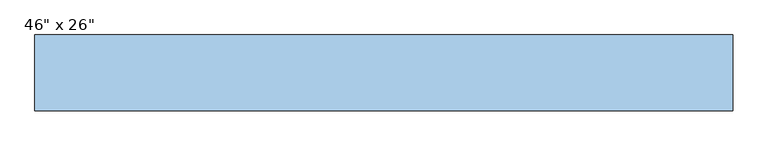
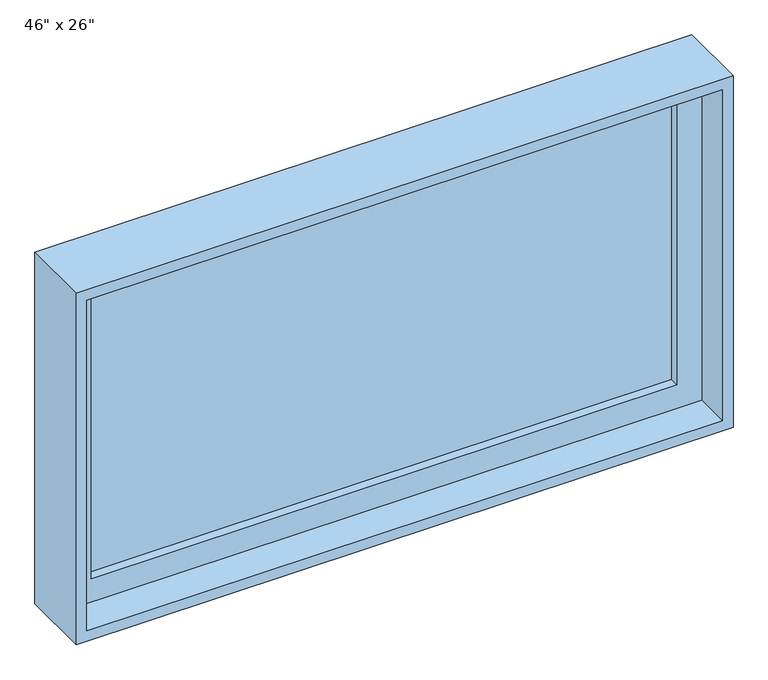
"""IFC4 building model written with IfcOpenShell, lengths in millimetres: window geometry."""

from ifc_helpers import new_model, si_unit, frame, origin, place, context, project, spatial, polyline, outline, extrude, source, transform, mapped, element, save


def window_cb70450a(model_context):
    return source(origin(), model_context, "Body", "SweptSolid", [
        extrude(outline(polyline([(1555.75, 565.15), (1555.75, -565.15), (933.45, -565.15), (933.45, 565.15), (1555.75, 565.15)]), holes=[polyline([(1511.3, 520.7), (977.9, 520.7), (977.9, -520.7), (1511.3, -520.7), (1511.3, 520.7)])]), frame((0.0, -55.5625, 0.0), z_axis=(0.0, 1.0, 0.0), x_axis=(0.0, 0.0, 1.0)), (0.0, 0.0, 1.0), 44.45),
        extrude(outline(polyline([(520.7, -39.6875), (-520.7, -39.6875), (-520.7, -26.9875), (520.7, -26.9875), (520.7, -39.6875)])), frame((0.0, 0.0, 977.9), z_axis=(0.0, 0.0, 1.0), x_axis=(1.0, 0.0, 0.0)), (0.0, 0.0, 1.0), 533.4),
        extrude(outline(polyline([(1574.8, -584.2), (914.4, -584.2), (914.4, 584.2), (1574.8, 584.2), (1574.8, -584.2)]), holes=[polyline([(933.45, 565.15), (933.45, -565.15), (1555.75, -565.15), (1555.75, 565.15), (933.45, 565.15)])]), frame((0.0, -119.0625, 0.0), z_axis=(0.0, 1.0, 0.0), x_axis=(0.0, 0.0, 1.0)), (0.0, 0.0, 1.0), 127.0),
    ])


if __name__ == "__main__":
    model = new_model("IFC4")
    model_context = context("Model", 3, world=origin())
    ifc_project = project(units=[si_unit("LENGTHUNIT", "METRE", prefix="MILLI")], contexts=[model_context])
    site = spatial("IfcSite", under=ifc_project)
    building = spatial("IfcBuilding", under=site)
    placement = place(None, origin())
    window_shape = window_cb70450a(model_context)
    element("IfcWindow", 1, ObjectType="46\" x 26\"", at=placement, inside=building, context=model_context, shape_type="MappedRepresentation", body=[
        mapped(window_shape, transform((0.0, 0.0, 0.0), x_axis=(1.0, 0.0, 0.0), y_axis=(0.0, 1.0, 0.0), z_axis=(0.0, 0.0, 1.0))),
    ])
    save(model, "model.ifc")
